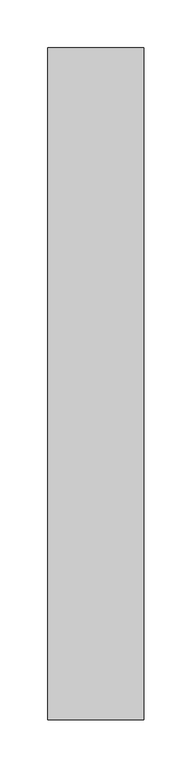
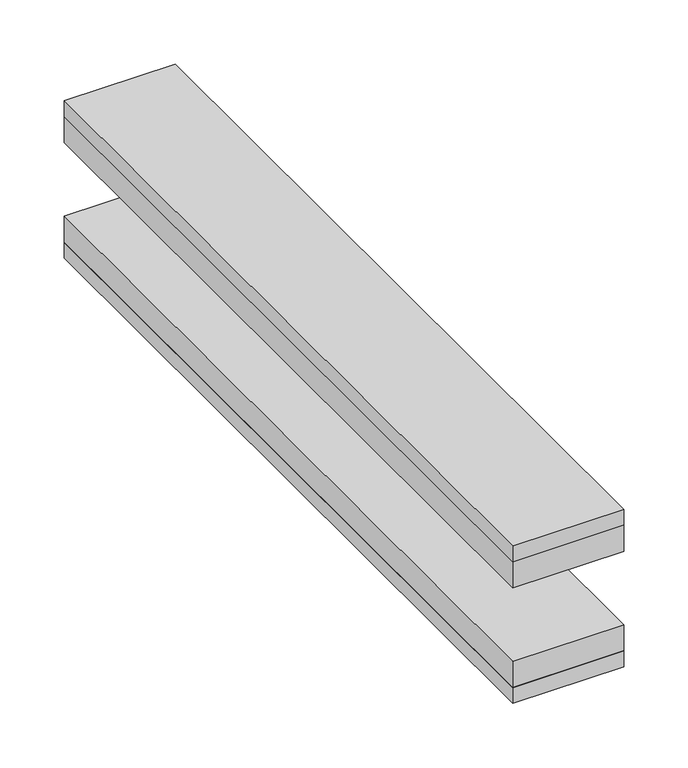
"""IFC4 building model written with IfcOpenShell, lengths in millimetres: proxy geometry."""

from ifc_helpers import new_model, si_unit, frame, origin, place, context, project, spatial, polyline, outline, extrude, source, transform, mapped, element, save


def specialty_equipment_3a7fb9ed(model_context):
    return source(origin(), model_context, "Body", "SweptSolid", [
        extrude(outline(polyline([(50.0, 350.0), (50.0, -350.0), (-50.0, -350.0), (-50.0, 350.0), (50.0, 350.0)])), frame((0.0, 0.0, -15.0), z_axis=(0.0, 0.0, 1.0), x_axis=(1.0, 0.0, 0.0)), (0.0, 0.0, 1.0), 15.0),
        extrude(outline(polyline([(50.0, 350.0), (50.0, -350.0), (-50.0, -350.0), (-50.0, 350.0), (50.0, 350.0)])), frame((0.0, 0.0, -40.0), z_axis=(0.0, 0.0, 1.0), x_axis=(1.0, 0.0, 0.0)), (0.0, 0.0, 1.0), 25.0),
        extrude(outline(polyline([(50.0, 350.0), (50.0, -350.0), (-50.0, -350.0), (-50.0, 350.0), (50.0, 350.0)])), frame((0.0, 0.0, -150.0), z_axis=(0.0, 0.0, 1.0), x_axis=(1.0, 0.0, 0.0)), (0.0, 0.0, 1.0), 15.0),
        extrude(outline(polyline([(50.0, 350.0), (50.0, -350.0), (-50.0, -350.0), (-50.0, 350.0), (50.0, 350.0)])), frame((0.0, 0.0, -135.0), z_axis=(0.0, 0.0, 1.0), x_axis=(1.0, 0.0, 0.0)), (0.0, 0.0, 1.0), 25.0),
    ])


if __name__ == "__main__":
    model = new_model("IFC4")
    model_context = context("Model", 3, world=origin())
    ifc_project = project(units=[si_unit("LENGTHUNIT", "METRE", prefix="MILLI")], contexts=[model_context])
    site = spatial("IfcSite", under=ifc_project)
    building = spatial("IfcBuilding", under=site)
    placement = place(None, origin())
    specialty_equipment_shape = specialty_equipment_3a7fb9ed(model_context)
    element("IfcBuildingElementProxy", 1, Name="Specialty Equipment", at=placement, inside=building, context=model_context, shape_type="MappedRepresentation", body=[
        mapped(specialty_equipment_shape, transform((0.0, 0.0, 0.0), x_axis=(1.0, 0.0, 0.0), y_axis=(0.0, 1.0, 0.0), z_axis=(0.0, 0.0, 1.0))),
    ])
    save(model, "model.ifc")
